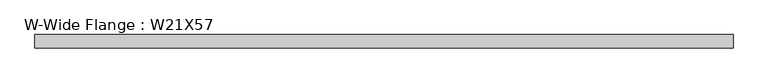
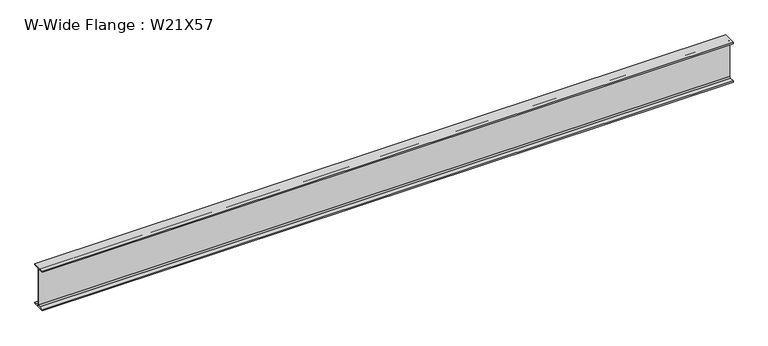
"""IFC4 building model written with IfcOpenShell, lengths in millimetres: beam geometry, W-Wide Flange : W21X57."""

import ifcopenshell
import ifcopenshell.guid

model = None  # the IFC model being written
_history = None  # IfcOwnerHistory: only IFC2X3 demands one
_inside = {}  # id of a spatial element -> (the spatial element, [elements in it])
_under = {}  # id of a project, library or spatial element -> (it, [spatial elements below it])
_declared = {}  # id of a project -> (the project, [libraries it declares])
_typed = {}  # id of a type object -> (the type object, [elements of that type])
_made_of = {}  # id of a material, layer set ... -> (it, [elements and type objects made of it])


def new_model(schema):
    """Start an empty IFC model of exactly this schema.

    Asked for "IFC4X3", IfcOpenShell would pick the latest addendum, in which some entities
    have other attributes; the version numbers below select the first issue.
    IFC2X3 requires an IfcOwnerHistory on every rooted entity: one is made here for all.
    """
    global model, _history
    if schema == "IFC4X3":
        model = ifcopenshell.file(schema_version=(4, 3, 0, 0))
    else:
        model = ifcopenshell.file(schema=schema)
    _inside.clear()
    _under.clear()
    _declared.clear()
    _typed.clear()
    _made_of.clear()
    _history = None
    if model.schema == "IFC2X3":
        org = make("IfcOrganization", Name="unknown")
        user = make(
            "IfcPersonAndOrganization",
            ThePerson=make("IfcPerson", FamilyName="unknown"),
            TheOrganization=org,
        )
        app = make(
            "IfcApplication",
            ApplicationDeveloper=org,
            Version="unknown",
            ApplicationFullName="unknown",
            ApplicationIdentifier="unknown",
        )
        _history = make(
            "IfcOwnerHistory",
            OwningUser=user,
            OwningApplication=app,
            ChangeAction="ADDED",
            CreationDate=0,
        )
    return model


def make(cls, **values):
    """One entity of the class cls with the attributes given. An attribute that is None is left unset."""
    return model.create_entity(
        cls, **{name: value for name, value in values.items() if value is not None}
    )


def rooted(cls, **values):
    """An entity with a GlobalId (a new one), such as an element, a storey or a relation."""
    return make(cls, GlobalId=ifcopenshell.guid.new(), OwnerHistory=_history, **values)


def si_unit(unit_type, name, prefix=None):
    """IfcSIUnit, for example si_unit("LENGTHUNIT", "METRE", prefix="MILLI")."""
    return make("IfcSIUnit", UnitType=unit_type, Prefix=prefix, Name=name)


def assignment(units):
    """IfcUnitAssignment: the units of a project."""
    return None if units is None else make("IfcUnitAssignment", Units=units)


def point(xyz):
    """IfcCartesianPoint."""
    return None if xyz is None else make("IfcCartesianPoint", Coordinates=xyz)


def direction(xyz):
    """IfcDirection."""
    return None if xyz is None else make("IfcDirection", DirectionRatios=xyz)


def frame(location, z_axis=None, x_axis=None):
    """IfcAxis2Placement3D, a coordinate frame: its origin and axes. An axis left out is left unset."""
    return make(
        "IfcAxis2Placement3D",
        Location=point(location),
        Axis=direction(z_axis),
        RefDirection=direction(x_axis),
    )


def frame_2d(location, x_axis=None):
    """IfcAxis2Placement2D, a coordinate frame in the plane: its origin and x axis."""
    return make(
        "IfcAxis2Placement2D", Location=point(location), RefDirection=direction(x_axis)
    )


def origin():
    """The frame at (0, 0, 0) with its axes left unset."""
    return frame((0.0, 0.0, 0.0))


def place(relative_to, where):
    """IfcLocalPlacement: puts the frame where relative to a parent placement (None: the world)."""
    return make(
        "IfcLocalPlacement", PlacementRelTo=relative_to, RelativePlacement=where
    )


def context(
    kind, dimensions, precision=None, world=None, true_north=None, identifier=None
):
    """IfcGeometricRepresentationContext, for example the 3D "Model" context."""
    return make(
        "IfcGeometricRepresentationContext",
        ContextIdentifier=identifier,
        ContextType=kind,
        CoordinateSpaceDimension=dimensions,
        Precision=precision,
        WorldCoordinateSystem=world,
        TrueNorth=true_north,
    )


def project(units=None, contexts=None):
    """IfcProject with its units and contexts."""
    return rooted(
        "IfcProject",
        Name="project",
        RepresentationContexts=contexts,
        UnitsInContext=assignment(units),
    )


def spatial(cls, under=None, at=None, **own):
    """A site, building, storey or space (cls), placed at a placement, below another one or the project."""
    s = rooted(cls, ObjectPlacement=at, **own)
    if under is not None:
        _under.setdefault(under.id(), (under, []))[1].append(s)
    return s


def polyline(points):
    """IfcPolyline through the points."""
    return make("IfcPolyline", Points=[point(p) for p in points])


def circle_curve(where, radius):
    """IfcCircle in the frame where."""
    return make("IfcCircle", Position=where, Radius=radius)


def trimmed(basis, trim1, trim2, sense, master):
    """IfcTrimmedCurve: the piece of a basis curve between two trims."""
    return make(
        "IfcTrimmedCurve",
        BasisCurve=basis,
        Trim1=trim1,
        Trim2=trim2,
        SenseAgreement=sense,
        MasterRepresentation=master,
    )


def segment(curve, same_sense, transition):
    """IfcCompositeCurveSegment."""
    return make(
        "IfcCompositeCurveSegment",
        Transition=transition,
        SameSense=same_sense,
        ParentCurve=curve,
    )


def composite_curve(segments, self_intersect=None):
    """IfcCompositeCurve: segments joined end to end."""
    return make("IfcCompositeCurve", Segments=segments, SelfIntersect=self_intersect)


def outline(outer, holes=None, kind="AREA"):
    """IfcArbitraryClosedProfileDef: a profile drawn as a closed curve; with holes, ...WithVoids."""
    if holes is None:
        return make("IfcArbitraryClosedProfileDef", ProfileType=kind, OuterCurve=outer)
    return make(
        "IfcArbitraryProfileDefWithVoids",
        ProfileType=kind,
        OuterCurve=outer,
        InnerCurves=holes,
    )


def extrude(swept, where, along, depth):
    """IfcExtrudedAreaSolid: the profile swept, set in the frame where, extruded along a direction by depth."""
    return make(
        "IfcExtrudedAreaSolid",
        SweptArea=swept,
        Position=where,
        ExtrudedDirection=direction(along),
        Depth=depth,
    )


def shape(context_of_items, identifier, shape_type, items):
    """IfcShapeRepresentation: the items that make up one representation, for example the "Body"."""
    return make(
        "IfcShapeRepresentation",
        ContextOfItems=context_of_items,
        RepresentationIdentifier=identifier,
        RepresentationType=shape_type,
        Items=items,
    )


def source(mapping_origin, context_of_items, identifier, shape_type, items):
    """IfcRepresentationMap: a shape defined once, which mapped items show again and again."""
    return make(
        "IfcRepresentationMap",
        MappingOrigin=mapping_origin,
        MappedRepresentation=shape(context_of_items, identifier, shape_type, items),
    )


def transform(
    local_origin,
    x_axis=None,
    y_axis=None,
    z_axis=None,
    scale=None,
    scale2=None,
    scale3=None,
    uniform=True,
):
    """IfcCartesianTransformationOperator3D, or its non-uniform kind. x_axis, y_axis, z_axis: its Axis1, 2, 3."""
    if uniform:
        return make(
            "IfcCartesianTransformationOperator3D",
            Axis1=direction(x_axis),
            Axis2=direction(y_axis),
            LocalOrigin=point(local_origin),
            Scale=scale,
            Axis3=direction(z_axis),
        )
    return make(
        "IfcCartesianTransformationOperator3DnonUniform",
        Axis1=direction(x_axis),
        Axis2=direction(y_axis),
        LocalOrigin=point(local_origin),
        Scale=scale,
        Axis3=direction(z_axis),
        Scale2=scale2,
        Scale3=scale3,
    )


def mapped(mapping_source, mapping_target):
    """IfcMappedItem: shows the shape of a source again, moved by a transform."""
    return make(
        "IfcMappedItem", MappingSource=mapping_source, MappingTarget=mapping_target
    )


def made_of(thing, what):
    """Note that an element or type object is made of a material, layer set ...; save() writes the relation."""
    if what is not None:
        _made_of.setdefault(what.id(), (what, []))[1].append(thing)
    return thing


def element(
    cls,
    number,
    at=None,
    inside=None,
    cuts=None,
    type_object=None,
    material=None,
    context=None,
    identifier="Body",
    shape_type=None,
    held_by="IfcProductDefinitionShape",
    body=None,
    shapes=None,
    **own,
):
    """One element of the class cls, such as IfcWall. Its Tag is "e" and its number.

    at: its placement. inside: the storey or other place that contains it. cuts: it is an
    opening in that element (IfcRelVoidsElement). A single representation is given by context,
    identifier, shape_type and body (its items); several are given by shapes. held_by: the class
    of the entity that holds the representations. save() writes the other relations.
    """
    e = rooted(cls, Tag="e%d" % number, ObjectPlacement=at, **own)
    if body is not None:
        shapes = [shape(context, identifier, shape_type, body)]
    if shapes is not None:
        e.Representation = make(held_by, Representations=shapes)
    if inside is not None:
        _inside.setdefault(inside.id(), (inside, []))[1].append(e)
    if cuts is not None:
        rooted(
            "IfcRelVoidsElement", RelatingBuildingElement=cuts, RelatedOpeningElement=e
        )
    if type_object is not None:
        _typed.setdefault(type_object.id(), (type_object, []))[1].append(e)
    return made_of(e, material)


def aggregate(whole, parts):
    """IfcRelAggregates: a whole, such as a stair, and the parts it consists of."""
    return rooted("IfcRelAggregates", RelatingObject=whole, RelatedObjects=parts)


def save(model, path):
    """Write the relations noted so far, then the file.

    IfcRelAggregates (storeys below a building ...), IfcRelContainedInSpatialStructure (elements
    in a storey), IfcRelDefinesByType, IfcRelAssociatesMaterial and IfcRelDeclares: one each for
    every whole, place, type object, material and project.
    """
    for whole, parts in _under.values():
        aggregate(whole, parts)
    for where, things in _inside.values():
        rooted(
            "IfcRelContainedInSpatialStructure",
            RelatedElements=things,
            RelatingStructure=where,
        )
    for kind, things in _typed.values():
        rooted("IfcRelDefinesByType", RelatedObjects=things, RelatingType=kind)
    for what, things in _made_of.values():
        rooted("IfcRelAssociatesMaterial", RelatedObjects=things, RelatingMaterial=what)
    for by, libraries in _declared.values():
        rooted("IfcRelDeclares", RelatingContext=by, RelatedDefinitions=libraries)
    model.write(path)


def w_wide_flange_w21x57_0aca9030(model_context):
    return source(origin(), model_context, "Body", "SweptSolid", [
        extrude(outline(composite_curve([segment(polyline([(83.2941406, -251.5195313), (83.2941406, -267.9898438), (-83.2941406, -267.9898438), (-83.2941406, -251.5195313), (-22.0265625, -251.5195313)]), True, "CONTINUOUS"), segment(trimmed(circle_curve(frame_2d((-22.0265625, -234.6523438)), 16.8671875), [point((-22.0265625, -251.5195313))], [point((-5.159375, -234.6523438))], True, "CARTESIAN"), True, "CONTINUOUS"), segment(polyline([(-5.159375, -234.6523438), (-5.159375, 234.6523437)]), True, "CONTINUOUS"), segment(trimmed(circle_curve(frame_2d((-22.0265625, 234.6523437)), 16.8671875), [point((-5.159375, 234.6523437))], [point((-22.0265625, 251.5195312))], True, "CARTESIAN"), True, "CONTINUOUS"), segment(polyline([(-22.0265625, 251.5195312), (-83.2941406, 251.5195312), (-83.2941406, 267.9898437), (83.2941406, 267.9898437), (83.2941406, 251.5195312), (22.0265625, 251.5195312)]), True, "CONTINUOUS"), segment(trimmed(circle_curve(frame_2d((22.0265625, 234.6523437)), 16.8671875), [point((22.0265625, 251.5195312))], [point((5.159375, 234.6523437))], True, "CARTESIAN"), True, "CONTINUOUS"), segment(polyline([(5.159375, 234.6523437), (5.159375, -234.6523438)]), True, "CONTINUOUS"), segment(trimmed(circle_curve(frame_2d((22.0265625, -234.6523438)), 16.8671875), [point((5.159375, -234.6523438))], [point((22.0265625, -251.5195313))], True, "CARTESIAN"), True, "CONTINUOUS"), segment(polyline([(22.0265625, -251.5195313), (83.2941406, -251.5195313)]), True, "CONTINUOUS")], self_intersect=False)), frame((-4406.9, 0.0, 0.0), z_axis=(1.0, 0.0, 0.0), x_axis=(0.0, 1.0, 0.0)), (0.0, 0.0, 1.0), 8813.8),
    ])


if __name__ == "__main__":
    model = new_model("IFC4")
    model_context = context("Model", 3, world=origin())
    ifc_project = project(units=[si_unit("LENGTHUNIT", "METRE", prefix="MILLI")], contexts=[model_context])
    site = spatial("IfcSite", under=ifc_project)
    building = spatial("IfcBuilding", under=site)
    placement = place(None, origin())
    w_wide_flange_w21x57_shape = w_wide_flange_w21x57_0aca9030(model_context)
    element("IfcBeam", 1, ObjectType="W-Wide Flange : W21X57", at=placement, inside=building, context=model_context, shape_type="MappedRepresentation", body=[
        mapped(w_wide_flange_w21x57_shape, transform((0.0, 0.0, 0.0), x_axis=(1.0, 0.0, 0.0), y_axis=(0.0, 1.0, 0.0), z_axis=(0.0, 0.0, 1.0))),
    ])
    save(model, "model.ifc")
